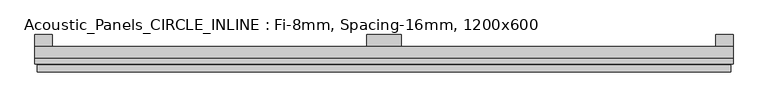
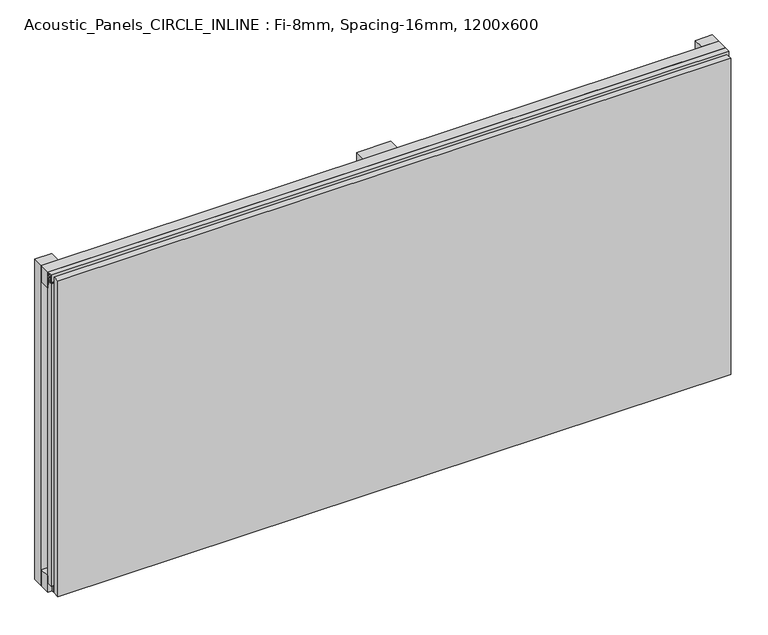
"""IFC4 building model written with IfcOpenShell, lengths in millimetres: plate geometry, Acoustic_Panels_CIRCLE_INLINE : Fi-8mm, Spacing-16mm, 1200x600."""

from ifc_helpers import new_model, si_unit, frame, origin, origin_with_axes, place, context, project, spatial, polyline, outline, extrude, faceted_brep, source, transform, mapped, element, save


def acoustic_panels_circle_inline_fi_8mm_spacing_16mm_1200x600_536dd57b(model_context):
    return source(origin(), model_context, "Body", "SolidModel", [
        extrude(outline(polyline([(-600.0, -40.0), (-600.0, -20.0), (600.0, -20.0), (600.0, -40.0), (-600.0, -40.0)])), frame((0.0, 0.0, 570.0), z_axis=(0.0, 0.0, 1.0), x_axis=(1.0, 0.0, 0.0)), (0.0, 0.0, 1.0), 30.0),
        extrude(outline(polyline([(-600.0, -40.0), (-600.0, -20.0), (600.0, -20.0), (600.0, -40.0), (-600.0, -40.0)])), origin_with_axes(), (0.0, 0.0, 1.0), 30.0),
        extrude(outline(polyline([(570.0, 0.0), (600.0, 0.0), (600.0, -20.0), (570.0, -20.0), (570.0, 0.0)])), origin_with_axes(), (0.0, 0.0, 1.0), 600.0),
        extrude(outline(polyline([(30.0, 0.0), (30.0, -20.0), (-30.0, -20.0), (-30.0, 0.0), (30.0, 0.0)])), origin_with_axes(), (0.0, 0.0, 1.0), 600.0),
        extrude(outline(polyline([(-570.0, 0.0), (-570.0, -20.0), (-600.0, -20.0), (-600.0, 0.0), (-570.0, 0.0)])), origin_with_axes(), (0.0, 0.0, 1.0), 600.0),
        extrude(outline(polyline([(-40.0, 593.700916), (-43.5, 593.700916), (-40.0553267, 584.6441401), (-40.0553267, 577.008452), (-41.4553267, 577.008452), (-41.4553267, 584.4296606), (-45.5140545, 595.100916), (-41.4, 595.100916), (-41.4, 598.5843193), (-48.7, 598.5843193), (-48.7, 586.5843193), (-50.1, 586.5843193), (-50.1, 600.0), (-40.0, 600.0), (-40.0, 593.700916)])), frame((-600.0, 0.0, 0.0), z_axis=(1.0, 0.0, 0.0), x_axis=(0.0, 1.0, 0.0)), (0.0, 0.0, 1.0), 1200.0),
        extrude(outline(polyline([(-593.700916, -40.0), (-593.700916, -43.5), (-584.6441401, -40.0553267), (-577.008452, -40.0553267), (-577.008452, -41.4553267), (-584.4296606, -41.4553267), (-595.100916, -45.5140545), (-595.100916, -41.4), (-598.5843193, -41.4), (-598.5843193, -48.7), (-586.5843193, -48.7), (-586.5843193, -50.1), (-600.0, -50.1), (-600.0, -40.0), (-593.700916, -40.0)])), frame((0.0, 0.0, 16.9558599), z_axis=(0.0, 0.0, 1.0), x_axis=(1.0, 0.0, 0.0)), (0.0, 0.0, 1.0), 566.0882802),
        extrude(outline(polyline([(593.700916, -40.0), (600.0, -40.0), (600.0, -50.1), (586.5843193, -50.1), (586.5843193, -48.7), (598.5843193, -48.7), (598.5843193, -41.4), (595.100916, -41.4), (595.100916, -45.5140545), (584.4296606, -41.4553267), (577.008452, -41.4553267), (577.008452, -40.0553267), (584.6441401, -40.0553267), (593.700916, -43.5), (593.700916, -40.0)])), frame((0.0, 0.0, 16.9558599), z_axis=(0.0, 0.0, 1.0), x_axis=(1.0, 0.0, 0.0)), (0.0, 0.0, 1.0), 566.0882802),
        faceted_brep([(596.0, -45.9, 596.0), (-596.0, -45.9, 596.0), (-596.0, -48.7, 596.0), (596.0, -48.7, 596.0), (-596.0, -63.9, 596.0), (596.0, -63.9, 596.0), (596.0, -51.9, 596.0), (-596.0, -51.9, 596.0), (-596.0, -45.9, 4.0), (596.0, -45.9, 4.0), (596.0, -48.7, 4.0), (-596.0, -48.7, 4.0), (596.0, -63.9, 4.0), (-596.0, -63.9, 4.0), (-596.0, -51.9, 4.0), (596.0, -51.9, 4.0), (584.0, -51.9, 584.0), (584.0, -51.9, 16.0), (584.0, -48.7, 16.0), (584.0, -48.7, 584.0), (-584.0, -51.9, 16.0), (-584.0, -48.7, 16.0), (-584.0, -51.9, 584.0), (-584.0, -48.7, 584.0)], [[[0, 1, 2, 3]], [[4, 5, 6, 7]], [[8, 9, 10, 11]], [[12, 13, 14, 15]], [[1, 0, 9, 8]], [[1, 8, 11, 2]], [[13, 4, 7, 14]], [[5, 4, 13, 12]], [[9, 0, 3, 10]], [[5, 12, 15, 6]], [[16, 17, 18, 19]], [[18, 17, 20, 21]], [[21, 20, 22, 23]], [[16, 19, 23, 22]], [[7, 6, 15, 14], [17, 16, 22, 20]], [[3, 2, 11, 10], [19, 18, 21, 23]]]),
    ])


if __name__ == "__main__":
    model = new_model("IFC4")
    model_context = context("Model", 3, world=origin())
    ifc_project = project(units=[si_unit("LENGTHUNIT", "METRE", prefix="MILLI")], contexts=[model_context])
    site = spatial("IfcSite", under=ifc_project)
    building = spatial("IfcBuilding", under=site)
    placement = place(None, origin())
    acoustic_panels_circle_inline_fi_8mm_spacing_16mm_1200x600_shape = acoustic_panels_circle_inline_fi_8mm_spacing_16mm_1200x600_536dd57b(model_context)
    element("IfcPlate", 1, ObjectType="Acoustic_Panels_CIRCLE_INLINE : Fi-8mm, Spacing-16mm, 1200x600", at=placement, inside=building, context=model_context, shape_type="MappedRepresentation", body=[
        mapped(acoustic_panels_circle_inline_fi_8mm_spacing_16mm_1200x600_shape, transform((0.0, 0.0, 0.0), x_axis=(1.0, 0.0, 0.0), y_axis=(0.0, 1.0, 0.0), z_axis=(0.0, 0.0, 1.0))),
    ])
    save(model, "model.ifc")
